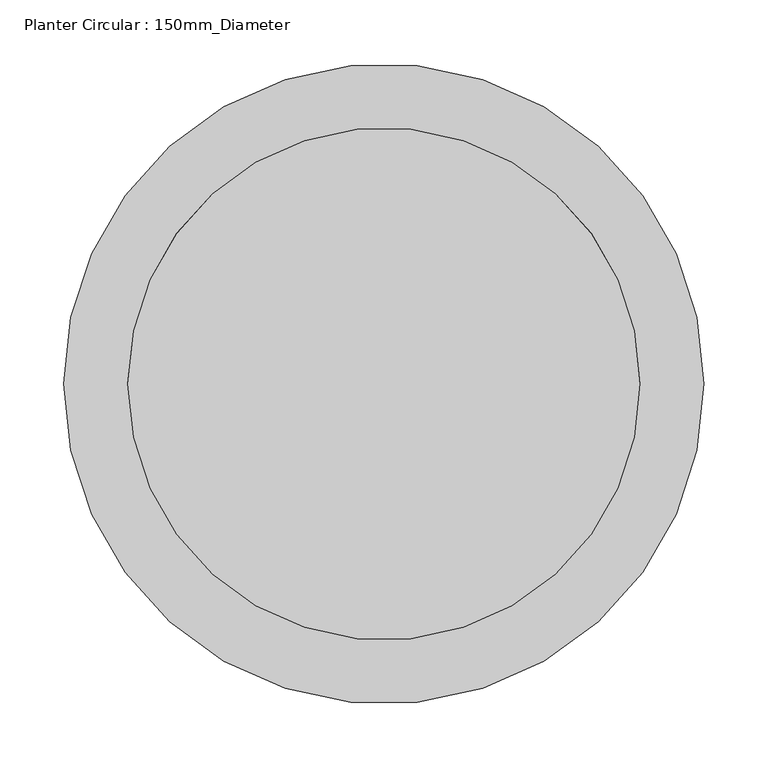
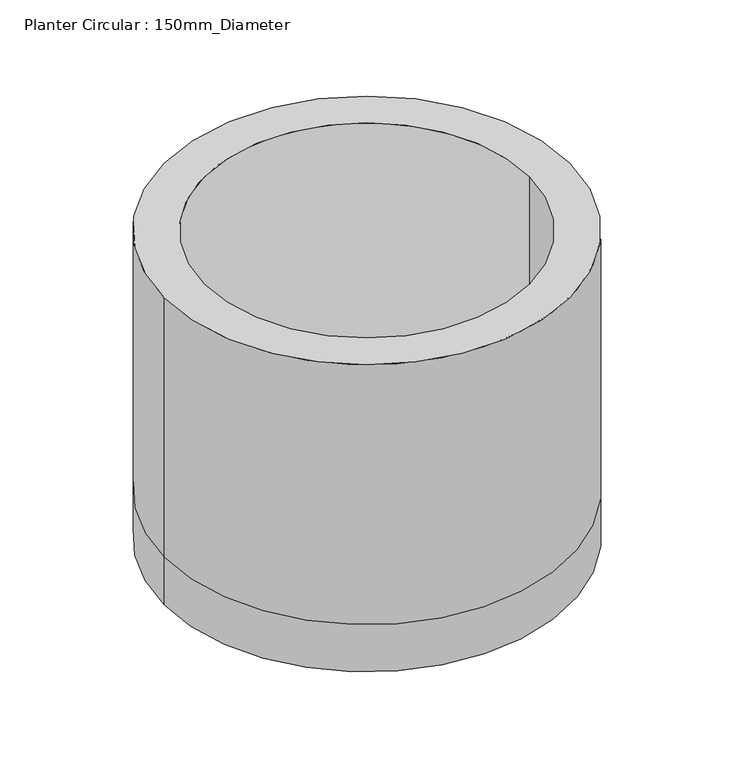
"""IFC4 building model written with IfcOpenShell, lengths in millimetres: geographic element geometry, Planter Circular : 150mm_Diameter."""

import ifcopenshell
import ifcopenshell.guid

model = None  # the IFC model being written
_history = None  # IfcOwnerHistory: only IFC2X3 demands one
_inside = {}  # id of a spatial element -> (the spatial element, [elements in it])
_under = {}  # id of a project, library or spatial element -> (it, [spatial elements below it])
_declared = {}  # id of a project -> (the project, [libraries it declares])
_typed = {}  # id of a type object -> (the type object, [elements of that type])
_made_of = {}  # id of a material, layer set ... -> (it, [elements and type objects made of it])


def new_model(schema):
    """Start an empty IFC model of exactly this schema.

    Asked for "IFC4X3", IfcOpenShell would pick the latest addendum, in which some entities
    have other attributes; the version numbers below select the first issue.
    IFC2X3 requires an IfcOwnerHistory on every rooted entity: one is made here for all.
    """
    global model, _history
    if schema == "IFC4X3":
        model = ifcopenshell.file(schema_version=(4, 3, 0, 0))
    else:
        model = ifcopenshell.file(schema=schema)
    _inside.clear()
    _under.clear()
    _declared.clear()
    _typed.clear()
    _made_of.clear()
    _history = None
    if model.schema == "IFC2X3":
        org = make("IfcOrganization", Name="unknown")
        user = make(
            "IfcPersonAndOrganization",
            ThePerson=make("IfcPerson", FamilyName="unknown"),
            TheOrganization=org,
        )
        app = make(
            "IfcApplication",
            ApplicationDeveloper=org,
            Version="unknown",
            ApplicationFullName="unknown",
            ApplicationIdentifier="unknown",
        )
        _history = make(
            "IfcOwnerHistory",
            OwningUser=user,
            OwningApplication=app,
            ChangeAction="ADDED",
            CreationDate=0,
        )
    return model


def make(cls, **values):
    """One entity of the class cls with the attributes given. An attribute that is None is left unset."""
    return model.create_entity(
        cls, **{name: value for name, value in values.items() if value is not None}
    )


def rooted(cls, **values):
    """An entity with a GlobalId (a new one), such as an element, a storey or a relation."""
    return make(cls, GlobalId=ifcopenshell.guid.new(), OwnerHistory=_history, **values)


def si_unit(unit_type, name, prefix=None):
    """IfcSIUnit, for example si_unit("LENGTHUNIT", "METRE", prefix="MILLI")."""
    return make("IfcSIUnit", UnitType=unit_type, Prefix=prefix, Name=name)


def assignment(units):
    """IfcUnitAssignment: the units of a project."""
    return None if units is None else make("IfcUnitAssignment", Units=units)


def point(xyz):
    """IfcCartesianPoint."""
    return None if xyz is None else make("IfcCartesianPoint", Coordinates=xyz)


def direction(xyz):
    """IfcDirection."""
    return None if xyz is None else make("IfcDirection", DirectionRatios=xyz)


def frame(location, z_axis=None, x_axis=None):
    """IfcAxis2Placement3D, a coordinate frame: its origin and axes. An axis left out is left unset."""
    return make(
        "IfcAxis2Placement3D",
        Location=point(location),
        Axis=direction(z_axis),
        RefDirection=direction(x_axis),
    )


def origin():
    """The frame at (0, 0, 0) with its axes left unset."""
    return frame((0.0, 0.0, 0.0))


def place(relative_to, where):
    """IfcLocalPlacement: puts the frame where relative to a parent placement (None: the world)."""
    return make(
        "IfcLocalPlacement", PlacementRelTo=relative_to, RelativePlacement=where
    )


def context(
    kind, dimensions, precision=None, world=None, true_north=None, identifier=None
):
    """IfcGeometricRepresentationContext, for example the 3D "Model" context."""
    return make(
        "IfcGeometricRepresentationContext",
        ContextIdentifier=identifier,
        ContextType=kind,
        CoordinateSpaceDimension=dimensions,
        Precision=precision,
        WorldCoordinateSystem=world,
        TrueNorth=true_north,
    )


def project(units=None, contexts=None):
    """IfcProject with its units and contexts."""
    return rooted(
        "IfcProject",
        Name="project",
        RepresentationContexts=contexts,
        UnitsInContext=assignment(units),
    )


def spatial(cls, under=None, at=None, **own):
    """A site, building, storey or space (cls), placed at a placement, below another one or the project."""
    s = rooted(cls, ObjectPlacement=at, **own)
    if under is not None:
        _under.setdefault(under.id(), (under, []))[1].append(s)
    return s


def polyline(points):
    """IfcPolyline through the points."""
    return make("IfcPolyline", Points=[point(p) for p in points])


def circle_curve(where, radius):
    """IfcCircle in the frame where."""
    return make("IfcCircle", Position=where, Radius=radius)


def shape(context_of_items, identifier, shape_type, items):
    """IfcShapeRepresentation: the items that make up one representation, for example the "Body"."""
    return make(
        "IfcShapeRepresentation",
        ContextOfItems=context_of_items,
        RepresentationIdentifier=identifier,
        RepresentationType=shape_type,
        Items=items,
    )


def source(mapping_origin, context_of_items, identifier, shape_type, items):
    """IfcRepresentationMap: a shape defined once, which mapped items show again and again."""
    return make(
        "IfcRepresentationMap",
        MappingOrigin=mapping_origin,
        MappedRepresentation=shape(context_of_items, identifier, shape_type, items),
    )


def transform(
    local_origin,
    x_axis=None,
    y_axis=None,
    z_axis=None,
    scale=None,
    scale2=None,
    scale3=None,
    uniform=True,
):
    """IfcCartesianTransformationOperator3D, or its non-uniform kind. x_axis, y_axis, z_axis: its Axis1, 2, 3."""
    if uniform:
        return make(
            "IfcCartesianTransformationOperator3D",
            Axis1=direction(x_axis),
            Axis2=direction(y_axis),
            LocalOrigin=point(local_origin),
            Scale=scale,
            Axis3=direction(z_axis),
        )
    return make(
        "IfcCartesianTransformationOperator3DnonUniform",
        Axis1=direction(x_axis),
        Axis2=direction(y_axis),
        LocalOrigin=point(local_origin),
        Scale=scale,
        Axis3=direction(z_axis),
        Scale2=scale2,
        Scale3=scale3,
    )


def mapped(mapping_source, mapping_target):
    """IfcMappedItem: shows the shape of a source again, moved by a transform."""
    return make(
        "IfcMappedItem", MappingSource=mapping_source, MappingTarget=mapping_target
    )


def made_of(thing, what):
    """Note that an element or type object is made of a material, layer set ...; save() writes the relation."""
    if what is not None:
        _made_of.setdefault(what.id(), (what, []))[1].append(thing)
    return thing


def element(
    cls,
    number,
    at=None,
    inside=None,
    cuts=None,
    type_object=None,
    material=None,
    context=None,
    identifier="Body",
    shape_type=None,
    held_by="IfcProductDefinitionShape",
    body=None,
    shapes=None,
    **own,
):
    """One element of the class cls, such as IfcWall. Its Tag is "e" and its number.

    at: its placement. inside: the storey or other place that contains it. cuts: it is an
    opening in that element (IfcRelVoidsElement). A single representation is given by context,
    identifier, shape_type and body (its items); several are given by shapes. held_by: the class
    of the entity that holds the representations. save() writes the other relations.
    """
    e = rooted(cls, Tag="e%d" % number, ObjectPlacement=at, **own)
    if body is not None:
        shapes = [shape(context, identifier, shape_type, body)]
    if shapes is not None:
        e.Representation = make(held_by, Representations=shapes)
    if inside is not None:
        _inside.setdefault(inside.id(), (inside, []))[1].append(e)
    if cuts is not None:
        rooted(
            "IfcRelVoidsElement", RelatingBuildingElement=cuts, RelatedOpeningElement=e
        )
    if type_object is not None:
        _typed.setdefault(type_object.id(), (type_object, []))[1].append(e)
    return made_of(e, material)


def aggregate(whole, parts):
    """IfcRelAggregates: a whole, such as a stair, and the parts it consists of."""
    return rooted("IfcRelAggregates", RelatingObject=whole, RelatedObjects=parts)


def save(model, path):
    """Write the relations noted so far, then the file.

    IfcRelAggregates (storeys below a building ...), IfcRelContainedInSpatialStructure (elements
    in a storey), IfcRelDefinesByType, IfcRelAssociatesMaterial and IfcRelDeclares: one each for
    every whole, place, type object, material and project.
    """
    for whole, parts in _under.values():
        aggregate(whole, parts)
    for where, things in _inside.values():
        rooted(
            "IfcRelContainedInSpatialStructure",
            RelatedElements=things,
            RelatingStructure=where,
        )
    for kind, things in _typed.values():
        rooted("IfcRelDefinesByType", RelatedObjects=things, RelatingType=kind)
    for what, things in _made_of.values():
        rooted("IfcRelAssociatesMaterial", RelatedObjects=things, RelatingMaterial=what)
    for by, libraries in _declared.values():
        rooted("IfcRelDeclares", RelatingContext=by, RelatedDefinitions=libraries)
    model.write(path)


def plane_surface(at):
    """IfcPlane: the flat surface through the origin of the frame at, square to its z axis."""
    return make("IfcPlane", Position=at)


def cylinder_surface(at, radius):
    """IfcCylindricalSurface: all points at the distance radius from the z axis of the frame at."""
    return make("IfcCylindricalSurface", Position=at, Radius=radius)


def revolved_surface(curve, axis_point, axis_direction):
    """IfcSurfaceOfRevolution: the curve turned about the line through axis_point along axis_direction."""
    return make(
        "IfcSurfaceOfRevolution",
        SweptCurve=make("IfcArbitraryOpenProfileDef", ProfileType="CURVE", Curve=curve),
        AxisPosition=make("IfcAxis1Placement", Location=point(axis_point), Axis=direction(axis_direction)),
    )


def advanced_brep(points, edges, surfaces, faces):
    """IfcAdvancedBrep: a solid bounded by faces that lie on surfaces and meet in shared edges.

    An edge is (start, end): straight between two places in points (the first is 0);
    or (start, end, curve); or (start, end, curve, False) where it runs against its curve.
    A face is (place in surfaces, loops), or (place, loops, False) where it looks against
    its surface's normal. A loop lists edges by number (the first is 1), with a minus sign
    where the edge is run from its end to its start. The first loop is the outer one.
    """
    corners = [point(p) for p in points]
    vertices = [make("IfcVertexPoint", VertexGeometry=c) for c in corners]
    made = []
    for start, end, *more in edges:
        made.append(
            make(
                "IfcEdgeCurve",
                EdgeStart=vertices[start],
                EdgeEnd=vertices[end],
                EdgeGeometry=more[0] if more else make("IfcPolyline", Points=[corners[start], corners[end]]),
                SameSense=more[1] if len(more) > 1 else True,
            )
        )
    hull = []
    for where, loops, *sense in faces:
        bounds = []
        for j, loop in enumerate(loops):
            ring = [make("IfcOrientedEdge", EdgeElement=made[abs(k) - 1], Orientation=k > 0) for k in loop]
            bounds.append(
                make(
                    "IfcFaceOuterBound" if j == 0 else "IfcFaceBound",
                    Bound=make("IfcEdgeLoop", EdgeList=ring),
                    Orientation=True,
                )
            )
        hull.append(make("IfcAdvancedFace", Bounds=bounds, FaceSurface=surfaces[where], SameSense=sense[0] if sense else True))
    return make("IfcAdvancedBrep", Outer=make("IfcClosedShell", CfsFaces=hull))


def planter_circular_150mm_diameter_2a945840(model_context):
    return source(origin(), model_context, "Body", "AdvancedBrep", [
        advanced_brep(
        [(201.2, -75.0, 61.5433423), (-198.8, -75.0, 61.5433423), (-248.8, -75.0, 0.0), (251.2, -75.0, 0.0), (251.2, -75.0, 61.5433423), (-248.8, -75.0, 61.5433423), (-248.8, -75.0, 400.0), (251.2, -75.0, 400.0), (-198.8, -75.0, 400.0), (201.2, -75.0, 400.0)],
        [
            (0, 1, circle_curve(frame((1.2, -75.0, 61.5433423), z_axis=(0.0, 0.0, 1.0), x_axis=(1.0, 0.0, 0.0)), 200.0)),
            (1, 0, circle_curve(frame((1.2, -75.0, 61.5433423), z_axis=(0.0, 0.0, 1.0), x_axis=(1.0, 0.0, 0.0)), 200.0)),
            (2, 3, circle_curve(frame((1.2, -75.0, 0.0), z_axis=(0.0, 0.0, -1.0), x_axis=(1.0, 0.0, 0.0)), 250.0)),
            (3, 2, circle_curve(frame((1.2, -75.0, 0.0), z_axis=(0.0, 0.0, -1.0), x_axis=(1.0, 0.0, 0.0)), 250.0)),
            (3, 4),
            (4, 5, circle_curve(frame((1.2, -75.0, 61.5433423), z_axis=(0.0, 0.0, -1.0), x_axis=(1.0, 0.0, 0.0)), 250.0)),
            (5, 2),
            (5, 4, circle_curve(frame((1.2, -75.0, 61.5433423), z_axis=(0.0, 0.0, -1.0), x_axis=(1.0, 0.0, 0.0)), 250.0)),
            (6, 7, circle_curve(frame((1.2, -75.0, 400.0), z_axis=(0.0, 0.0, 1.0), x_axis=(1.0, 0.0, 0.0)), 250.0)),
            (7, 6, circle_curve(frame((1.2, -75.0, 400.0), z_axis=(0.0, 0.0, 1.0), x_axis=(1.0, 0.0, 0.0)), 250.0)),
            (8, 9, circle_curve(frame((1.2, -75.0, 400.0), z_axis=(0.0, 0.0, -1.0), x_axis=(1.0, 0.0, 0.0)), 200.0)),
            (9, 8, circle_curve(frame((1.2, -75.0, 400.0), z_axis=(0.0, 0.0, -1.0), x_axis=(1.0, 0.0, 0.0)), 200.0)),
            (6, 5),
            (4, 7),
            (8, 1),
            (0, 9),
        ],
        [
            plane_surface(frame((251.2, -75.0, 61.5433423), z_axis=(0.0, 0.0, 1.0), x_axis=(0.0, 1.0, 0.0))),
            plane_surface(frame((251.2, -75.0, 0.0), z_axis=(0.0, 0.0, -1.0), x_axis=(0.0, -1.0, 0.0))),
            cylinder_surface(frame((1.2, -75.0, 0.0), z_axis=(0.0, 0.0, 1.0), x_axis=(1.0, 0.0, 0.0)), 250.0),
            plane_surface(frame((251.2, -75.0, 400.0), z_axis=(0.0, 0.0, 1.0), x_axis=(0.0, 1.0, 0.0))),
            revolved_surface(polyline([(201.2, -75.0, 61.5433423), (201.2, -75.0, 400.0)]), (1.2, -75.0, 0.0), (0.0, 0.0, -1.0)),
        ],
        [
            (0, [[1, 2]]),
            (1, [[3, 4]]),
            (2, [[-4, 5, 6, 7]]),
            (2, [[-3, -7, 8, -5]]),
            (3, [[9, 10], [11, 12]]),
            (2, [[-9, 13, -6, 14]]),
            (2, [[-10, -14, -8, -13]]),
            (4, [[-11, 15, -1, 16]]),
            (4, [[-12, -16, -2, -15]]),
        ],
    ),
    ])


if __name__ == "__main__":
    model = new_model("IFC4")
    model_context = context("Model", 3, world=origin())
    ifc_project = project(units=[si_unit("LENGTHUNIT", "METRE", prefix="MILLI")], contexts=[model_context])
    site = spatial("IfcSite", under=ifc_project)
    building = spatial("IfcBuilding", under=site)
    placement = place(None, origin())
    planter_circular_150mm_diameter_shape = planter_circular_150mm_diameter_2a945840(model_context)
    element("IfcGeographicElement", 1, ObjectType="Planter Circular : 150mm_Diameter", at=placement, inside=building, context=model_context, shape_type="MappedRepresentation", body=[
        mapped(planter_circular_150mm_diameter_shape, transform((0.0, 0.0, 0.0), x_axis=(1.0, 0.0, 0.0), y_axis=(0.0, 1.0, 0.0), z_axis=(0.0, 0.0, 1.0))),
    ])
    save(model, "model.ifc")
